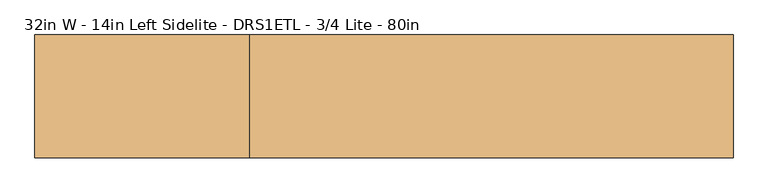
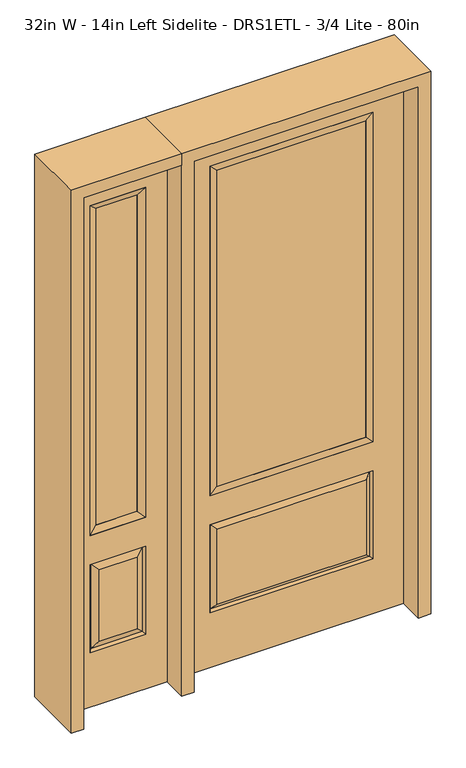
"""IFC4 building model written with IfcOpenShell, lengths in millimetres: door geometry, 32in W - 14in Left Sidelite - DRS1ETL - 3/4 Lite - 80in."""

from ifc_helpers import new_model, si_unit, frame, origin, place, context, project, spatial, polyline, outline, extrude, faceted_brep, source, transform, mapped, element, save


def door_32in_w_14in_left_sidelite_drs1etl_3_4_lite_80in_56f27db4(model_context):
    return source(origin(), model_context, "Body", "SolidModel", [
        faceted_brep([(-806.45, -22.225, 0.0), (-450.85, -22.225, 0.0), (-450.85, -22.225, 2032.0), (-806.45, -22.225, 2032.0), (-528.32, -22.225, 1919.224), (-528.32, -22.225, 657.098), (-728.98, -22.225, 657.098), (-728.98, -22.225, 1919.224), (-528.32, -22.225, 209.55), (-728.98, -22.225, 209.55), (-728.98, -22.225, 546.1), (-528.32, -22.225, 546.1), (-697.2648999, -22.225, 241.2651001), (-560.0351001, -22.225, 241.2651001), (-560.0351001, -22.225, 514.3848999), (-697.2648999, -22.225, 514.3848999), (-806.45, 22.225, 0.0), (-806.45, 22.225, 2032.0), (-450.85, 22.225, 2032.0), (-450.85, 22.225, 0.0), (-528.32, 22.225, 1919.224), (-728.98, 22.225, 1919.224), (-728.98, 22.225, 657.098), (-528.32, 22.225, 657.098), (-728.98, 22.225, 209.55), (-528.32, 22.225, 209.55), (-528.32, 22.225, 546.1), (-728.98, 22.225, 546.1), (-560.0351001, 22.225, 241.2651001), (-697.2648999, 22.225, 241.2651001), (-697.2648999, 22.225, 514.3848999), (-560.0351001, 22.225, 514.3848999), (-535.4288501, 12.7912373, 216.6588501), (-721.8711499, 12.7912373, 216.6588501), (-721.8711499, 12.7912373, 538.9911499), (-535.4288501, 12.7912373, 538.9911499), (-721.8711499, -12.7912373, 216.6588501), (-535.4288501, -12.7912373, 216.6588501), (-721.8711499, -12.7912373, 538.9911499), (-535.4288501, -12.7912373, 538.9911499)], [[[0, 1, 2, 3], [4, 5, 6, 7], [8, 9, 10, 11]], [[12, 13, 14, 15]], [[16, 17, 18, 19], [20, 21, 22, 23], [24, 25, 26, 27]], [[28, 29, 30, 31]], [[1, 0, 16, 19]], [[2, 1, 19, 18]], [[3, 2, 18, 17]], [[0, 3, 17, 16]], [[5, 4, 20, 23]], [[6, 5, 23, 22]], [[7, 6, 22, 21]], [[4, 7, 21, 20]], [[32, 33, 29, 28]], [[33, 32, 25, 24]], [[29, 33, 34, 30]], [[33, 24, 27, 34]], [[30, 34, 35, 31]], [[34, 27, 26, 35]], [[32, 28, 31, 35]], [[25, 32, 35, 26]], [[12, 36, 37, 13]], [[37, 36, 9, 8]], [[36, 12, 15, 38]], [[9, 36, 38, 10]], [[38, 15, 14, 39]], [[10, 38, 39, 11]], [[13, 37, 39, 14]], [[37, 8, 11, 39]]]),
        faceted_brep([(-728.98, 22.225, 1919.224), (-728.98, -22.225, 1919.224), (-528.32, -22.225, 1919.224), (-528.32, 22.225, 1919.224), (-703.58, 12.7, 1893.824), (-553.72, 12.7, 1893.824), (-703.58, -12.7, 1893.824), (-553.72, -12.7, 1893.824), (-528.32, -22.225, 657.098), (-528.32, 22.225, 657.098), (-553.72, 12.7, 682.498), (-553.72, -12.7, 682.498), (-728.98, -22.225, 657.098), (-728.98, 22.225, 657.098), (-703.58, 12.7, 682.498), (-703.58, -12.7, 682.498)], [[[0, 1, 2, 3]], [[4, 0, 3, 5]], [[6, 4, 5, 7]], [[1, 6, 7, 2]], [[3, 2, 8, 9]], [[5, 3, 9, 10]], [[7, 5, 10, 11]], [[2, 7, 11, 8]], [[9, 8, 12, 13]], [[10, 9, 13, 14]], [[11, 10, 14, 15]], [[8, 11, 15, 12]], [[13, 12, 1, 0]], [[14, 13, 0, 4]], [[15, 14, 4, 6]], [[12, 15, 6, 1]]]),
        extrude(outline(polyline([(-553.72, -12.7), (-703.58, -12.7), (-703.58, 12.7), (-553.72, 12.7), (-553.72, -12.7)])), frame((0.0, 0.0, 682.498), z_axis=(0.0, 0.0, 1.0), x_axis=(1.0, 0.0, 0.0)), (0.0, 0.0, 1.0), 1211.326),
        faceted_brep([(-288.1661499, -12.7912373, 216.6588501), (288.1661499, -12.7912373, 216.6588501), (270.66875, -22.225, 234.15625), (-270.66875, -22.225, 234.15625), (-295.275, -22.225, 209.55), (295.275, -22.225, 209.55), (-288.1661499, -12.7912373, 538.9911499), (-295.275, -22.225, 546.1), (270.66875, -22.225, 521.49375), (-270.66875, -22.225, 521.49375), (406.4, -22.225, 2032.0), (-406.4, -22.225, 2032.0), (-406.4, -22.225, 0.0), (406.4, -22.225, 0.0), (295.275, -22.225, 546.1), (295.275, -22.225, 1917.7), (295.275, -22.225, 657.098), (-295.275, -22.225, 657.098), (-295.275, -22.225, 1917.7), (288.1661499, -12.7912373, 538.9911499), (-406.4, 22.225, 2032.0), (-406.4, 22.225, 0.0), (406.4, 22.225, 0.0), (406.4, 22.225, 2032.0), (295.275, 22.225, 1917.7), (295.275, 22.225, 657.098), (-295.275, 22.225, 657.098), (-295.275, 22.225, 1917.7), (-295.275, 22.225, 209.55), (295.275, 22.225, 209.55), (295.275, 22.225, 546.1), (-295.275, 22.225, 546.1), (270.66875, 22.225, 234.15625), (-270.66875, 22.225, 234.15625), (-270.66875, 22.225, 521.49375), (270.66875, 22.225, 521.49375), (-288.1661499, 12.7912373, 216.6588501), (288.1661499, 12.7912373, 216.6588501), (288.1661499, 12.7912373, 538.9911499), (-288.1661499, 12.7912373, 538.9911499)], [[[0, 1, 2, 3]], [[1, 0, 4, 5]], [[4, 0, 6, 7]], [[3, 2, 8, 9]], [[10, 11, 12, 13], [5, 4, 7, 14], [15, 16, 17, 18]], [[1, 5, 14, 19]], [[2, 1, 19, 8]], [[0, 3, 9, 6]], [[7, 6, 19, 14]], [[6, 9, 8, 19]], [[12, 11, 20, 21]], [[13, 12, 21, 22]], [[10, 13, 22, 23]], [[16, 15, 24, 25]], [[17, 16, 25, 26]], [[18, 17, 26, 27]], [[23, 22, 21, 20], [28, 29, 30, 31], [24, 27, 26, 25]], [[32, 33, 34, 35]], [[28, 36, 37, 29]], [[29, 37, 38, 30]], [[39, 31, 30, 38]], [[36, 28, 31, 39]], [[37, 36, 33, 32]], [[33, 36, 39, 34]], [[34, 39, 38, 35]], [[37, 32, 35, 38]], [[11, 10, 23, 20]], [[15, 18, 27, 24]]]),
        faceted_brep([(-295.275, -22.225, 1917.7), (-295.275, 22.225, 1917.7), (-295.275, 22.225, 657.098), (-295.275, -22.225, 657.098), (295.275, 22.225, 657.098), (295.275, -22.225, 657.098), (-269.875, 5.08, 682.498), (269.875, 5.08, 682.498), (295.275, 22.225, 1917.7), (295.275, -22.225, 1917.7), (-269.875, -20.32, 682.498), (269.875, -20.32, 682.498), (-269.875, -20.32, 1892.3), (269.875, -20.32, 1892.3), (-269.875, 5.08, 1892.3), (269.875, 5.08, 1892.3)], [[[0, 1, 2, 3]], [[3, 2, 4, 5]], [[2, 6, 7, 4]], [[5, 4, 8, 9]], [[10, 3, 5, 11]], [[12, 0, 3, 10]], [[11, 5, 9, 13]], [[6, 10, 11, 7]], [[14, 12, 10, 6]], [[7, 11, 13, 15]], [[1, 14, 6, 2]], [[4, 7, 15, 8]], [[9, 8, 1, 0]], [[13, 9, 0, 12]], [[15, 13, 12, 14]], [[8, 15, 14, 1]]]),
        extrude(outline(polyline([(269.875, -20.32), (-269.875, -20.32), (-269.875, 5.08), (269.875, 5.08), (269.875, -20.32)])), frame((0.0, 0.0, 682.498), z_axis=(0.0, 0.0, 1.0), x_axis=(1.0, 0.0, 0.0)), (0.0, 0.0, 1.0), 1209.802),
        extrude(outline(polyline([(2032.0, -450.85), (2076.45, -450.85), (2076.45, -850.9), (0.0, -850.9), (0.0, -806.45), (2032.0, -806.45), (2032.0, -450.85)])), frame((0.0, -114.3, 0.0), z_axis=(0.0, 1.0, 0.0), x_axis=(0.0, 0.0, 1.0)), (0.0, 0.0, 1.0), 228.6),
        extrude(outline(polyline([(2076.45, -450.85), (0.0, -450.85), (0.0, -406.4), (2032.0, -406.4), (2032.0, 406.4), (0.0, 406.4), (0.0, 450.85), (2076.45, 450.85), (2076.45, -450.85)])), frame((0.0, -114.3, 0.0), z_axis=(0.0, 1.0, 0.0), x_axis=(0.0, 0.0, 1.0)), (0.0, 0.0, 1.0), 228.6),
    ])


if __name__ == "__main__":
    model = new_model("IFC4")
    model_context = context("Model", 3, world=origin())
    ifc_project = project(units=[si_unit("LENGTHUNIT", "METRE", prefix="MILLI")], contexts=[model_context])
    site = spatial("IfcSite", under=ifc_project)
    building = spatial("IfcBuilding", under=site)
    placement = place(None, origin())
    door_32in_w_14in_left_sidelite_drs1etl_3_4_lite_80in_shape = door_32in_w_14in_left_sidelite_drs1etl_3_4_lite_80in_56f27db4(model_context)
    element("IfcDoor", 1, ObjectType="32in W - 14in Left Sidelite - DRS1ETL - 3/4 Lite - 80in", at=placement, inside=building, context=model_context, shape_type="MappedRepresentation", body=[
        mapped(door_32in_w_14in_left_sidelite_drs1etl_3_4_lite_80in_shape, transform((0.0, 0.0, 0.0), x_axis=(1.0, 0.0, 0.0), y_axis=(0.0, 1.0, 0.0), z_axis=(0.0, 0.0, 1.0))),
    ])
    save(model, "model.ifc")
